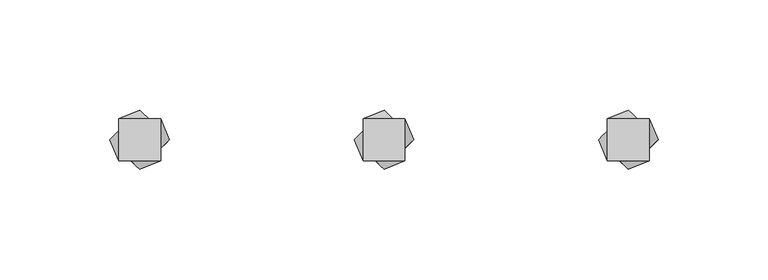
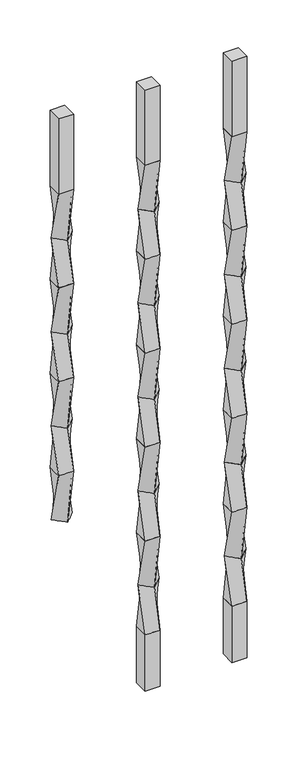
"""IFC4 building model written with IfcOpenShell, lengths in millimetres: proxy geometry."""

from ifc_helpers import new_model, si_unit, frame, origin, place, context, project, spatial, polyline, outline, extrude, source, transform, mapped, element, save
from ifc_brep_helpers import plane_surface, spline_surface, advanced_brep


def specialty_equipment_eb527075(model_context):
    return source(origin(), model_context, "Body", "SolidModel", [
        extrude(outline(polyline([(231.775, 9.525), (231.775, -9.525), (212.725, -9.525), (212.725, 9.525), (231.775, 9.525)])), frame((0.0, 0.0, 812.8), z_axis=(0.0, 0.0, 1.0), x_axis=(1.0, 0.0, 0.0)), (0.0, 0.0, 1.0), 101.6),
        advanced_brep(
        [(212.725, 9.525, 812.8), (212.725, -9.525, 812.8), (231.775, -9.525, 812.8), (231.775, 9.525, 812.8), (222.25, 13.4703842, 749.3), (235.7203842, 0.0, 749.3), (222.25, -13.4703842, 749.3), (208.7796158, 0.0, 749.3)],
        [
            (0, 1),
            (1, 2),
            (2, 3),
            (3, 0),
            (4, 5),
            (5, 6),
            (6, 7),
            (7, 4),
            (4, 0),
            (3, 5),
            (2, 6),
            (1, 7),
        ],
        [
            plane_surface(frame((222.25, 0.0, 812.8), z_axis=(0.0, 0.0, 1.0), x_axis=(0.0, -1.0, 0.0))),
            plane_surface(frame((222.25, 0.0, 749.3), z_axis=(0.0, 0.0, -1.0), x_axis=(0.0, -1.0, 0.0))),
            spline_surface(1, 1, [[(235.7203842, 0.0, 749.3), (231.775, 9.525, 812.8)], [(222.25, 13.4703842, 749.3), (212.725, 9.525, 812.8)]], [2, 2], [2, 2], [0.0, 1.0], [0.0, 1.0]),
            spline_surface(1, 1, [[(222.25, -13.4703842, 749.3), (231.775, -9.525, 812.8)], [(235.7203842, 0.0, 749.3), (231.775, 9.525, 812.8)]], [2, 2], [2, 2], [0.0, 1.0], [0.0, 1.0]),
            spline_surface(1, 1, [[(208.7796158, 0.0, 749.3), (212.725, -9.525, 812.8)], [(222.25, -13.4703842, 749.3), (231.775, -9.525, 812.8)]], [2, 2], [2, 2], [0.0, 1.0], [0.0, 1.0]),
            spline_surface(1, 1, [[(222.25, 13.4703842, 749.3), (212.725, 9.525, 812.8)], [(208.7796158, 0.0, 749.3), (212.725, -9.525, 812.8)]], [2, 2], [2, 2], [0.0, 1.0], [0.0, 1.0]),
        ],
        [
            (0, [[1, 2, 3, 4]]),
            (1, [[5, 6, 7, 8]]),
            (2, [[-5, 9, -4, 10]]),
            (3, [[-6, -10, -3, 11]]),
            (4, [[-7, -11, -2, 12]]),
            (5, [[-8, -12, -1, -9]]),
        ],
    ),
        advanced_brep(
        [(222.25, 13.4703842, 749.3), (208.7796158, 0.0, 749.3), (222.25, -13.4703842, 749.3), (235.7203842, 0.0, 749.3), (212.725, 9.525, 685.8), (231.775, 9.525, 685.8), (231.775, -9.525, 685.8), (212.725, -9.525, 685.8)],
        [
            (0, 1),
            (1, 2),
            (2, 3),
            (3, 0),
            (4, 5),
            (5, 6),
            (6, 7),
            (7, 4),
            (4, 0),
            (3, 5),
            (2, 6),
            (1, 7),
        ],
        [
            plane_surface(frame((222.25, 0.0, 749.3), z_axis=(0.0, 0.0, 1.0000000000000002), x_axis=(0.7071067811865481, -0.707106781186547, 0.0))),
            plane_surface(frame((222.25, 0.0, 685.8), z_axis=(0.0, 0.0, -1.0000000000000002), x_axis=(0.7071067811865481, -0.707106781186547, 0.0))),
            spline_surface(1, 1, [[(231.775, 9.525, 685.8), (235.7203842, 0.0, 749.3)], [(212.725, 9.525, 685.8), (222.25, 13.4703842, 749.3)]], [2, 2], [2, 2], [0.0, 1.0], [0.0, 1.0]),
            spline_surface(1, 1, [[(231.775, -9.525, 685.8), (222.25, -13.4703842, 749.3)], [(231.775, 9.525, 685.8), (235.7203842, 0.0, 749.3)]], [2, 2], [2, 2], [0.0, 1.0], [0.0, 1.0]),
            spline_surface(1, 1, [[(212.725, -9.525, 685.8), (208.7796158, 0.0, 749.3)], [(231.775, -9.525, 685.8), (222.25, -13.4703842, 749.3)]], [2, 2], [2, 2], [0.0, 1.0], [0.0, 1.0]),
            spline_surface(1, 1, [[(212.725, 9.525, 685.8), (222.25, 13.4703842, 749.3)], [(212.725, -9.525, 685.8), (208.7796158, 0.0, 749.3)]], [2, 2], [2, 2], [0.0, 1.0], [0.0, 1.0]),
        ],
        [
            (0, [[1, 2, 3, 4]]),
            (1, [[5, 6, 7, 8]]),
            (2, [[-5, 9, -4, 10]]),
            (3, [[-6, -10, -3, 11]]),
            (4, [[-7, -11, -2, 12]]),
            (5, [[-8, -12, -1, -9]]),
        ],
    ),
        advanced_brep(
        [(212.725, 9.525, 685.8), (212.725, -9.525, 685.8), (231.775, -9.525, 685.8), (231.775, 9.525, 685.8), (222.25, 13.4703842, 622.3), (235.7203842, 0.0, 622.3), (222.25, -13.4703842, 622.3), (208.7796158, 0.0, 622.3)],
        [
            (0, 1),
            (1, 2),
            (2, 3),
            (3, 0),
            (4, 5),
            (5, 6),
            (6, 7),
            (7, 4),
            (4, 0),
            (3, 5),
            (2, 6),
            (1, 7),
        ],
        [
            plane_surface(frame((222.25, 0.0, 685.8), z_axis=(0.0, 0.0, 1.0), x_axis=(0.0, -1.0, 0.0))),
            plane_surface(frame((222.25, 0.0, 622.3), z_axis=(0.0, 0.0, -1.0), x_axis=(0.0, -1.0, 0.0))),
            spline_surface(1, 1, [[(235.7203842, 0.0, 622.3), (231.775, 9.525, 685.8)], [(222.25, 13.4703842, 622.3), (212.725, 9.525, 685.8)]], [2, 2], [2, 2], [0.0, 1.0], [0.0, 1.0]),
            spline_surface(1, 1, [[(222.25, -13.4703842, 622.3), (231.775, -9.525, 685.8)], [(235.7203842, 0.0, 622.3), (231.775, 9.525, 685.8)]], [2, 2], [2, 2], [0.0, 1.0], [0.0, 1.0]),
            spline_surface(1, 1, [[(208.7796158, 0.0, 622.3), (212.725, -9.525, 685.8)], [(222.25, -13.4703842, 622.3), (231.775, -9.525, 685.8)]], [2, 2], [2, 2], [0.0, 1.0], [0.0, 1.0]),
            spline_surface(1, 1, [[(222.25, 13.4703842, 622.3), (212.725, 9.525, 685.8)], [(208.7796158, 0.0, 622.3), (212.725, -9.525, 685.8)]], [2, 2], [2, 2], [0.0, 1.0], [0.0, 1.0]),
        ],
        [
            (0, [[1, 2, 3, 4]]),
            (1, [[5, 6, 7, 8]]),
            (2, [[-5, 9, -4, 10]]),
            (3, [[-6, -10, -3, 11]]),
            (4, [[-7, -11, -2, 12]]),
            (5, [[-8, -12, -1, -9]]),
        ],
    ),
        advanced_brep(
        [(222.25, 13.4703842, 622.3), (208.7796158, 0.0, 622.3), (222.25, -13.4703842, 622.3), (235.7203842, 0.0, 622.3), (212.725, 9.525, 558.8), (231.775, 9.525, 558.8), (231.775, -9.525, 558.8), (212.725, -9.525, 558.8)],
        [
            (0, 1),
            (1, 2),
            (2, 3),
            (3, 0),
            (4, 5),
            (5, 6),
            (6, 7),
            (7, 4),
            (4, 0),
            (3, 5),
            (2, 6),
            (1, 7),
        ],
        [
            plane_surface(frame((222.25, 0.0, 622.3), z_axis=(0.0, 0.0, 1.0000000000000002), x_axis=(0.7071067811865481, -0.707106781186547, 0.0))),
            plane_surface(frame((222.25, 0.0, 558.8), z_axis=(0.0, 0.0, -1.0000000000000002), x_axis=(0.7071067811865481, -0.707106781186547, 0.0))),
            spline_surface(1, 1, [[(231.775, 9.525, 558.8), (235.7203842, 0.0, 622.3)], [(212.725, 9.525, 558.8), (222.25, 13.4703842, 622.3)]], [2, 2], [2, 2], [0.0, 1.0], [0.0, 1.0]),
            spline_surface(1, 1, [[(231.775, -9.525, 558.8), (222.25, -13.4703842, 622.3)], [(231.775, 9.525, 558.8), (235.7203842, 0.0, 622.3)]], [2, 2], [2, 2], [0.0, 1.0], [0.0, 1.0]),
            spline_surface(1, 1, [[(212.725, -9.525, 558.8), (208.7796158, 0.0, 622.3)], [(231.775, -9.525, 558.8), (222.25, -13.4703842, 622.3)]], [2, 2], [2, 2], [0.0, 1.0], [0.0, 1.0]),
            spline_surface(1, 1, [[(212.725, 9.525, 558.8), (222.25, 13.4703842, 622.3)], [(212.725, -9.525, 558.8), (208.7796158, 0.0, 622.3)]], [2, 2], [2, 2], [0.0, 1.0], [0.0, 1.0]),
        ],
        [
            (0, [[1, 2, 3, 4]]),
            (1, [[5, 6, 7, 8]]),
            (2, [[-5, 9, -4, 10]]),
            (3, [[-6, -10, -3, 11]]),
            (4, [[-7, -11, -2, 12]]),
            (5, [[-8, -12, -1, -9]]),
        ],
    ),
        advanced_brep(
        [(212.725, 9.525, 558.8), (212.725, -9.525, 558.8), (231.775, -9.525, 558.8), (231.775, 9.525, 558.8), (222.25, 13.4703842, 495.3), (235.7203842, 0.0, 495.3), (222.25, -13.4703842, 495.3), (208.7796158, 0.0, 495.3)],
        [
            (0, 1),
            (1, 2),
            (2, 3),
            (3, 0),
            (4, 5),
            (5, 6),
            (6, 7),
            (7, 4),
            (4, 0),
            (3, 5),
            (2, 6),
            (1, 7),
        ],
        [
            plane_surface(frame((222.25, 0.0, 558.8), z_axis=(0.0, 0.0, 1.0), x_axis=(0.0, -1.0, 0.0))),
            plane_surface(frame((222.25, 0.0, 495.3), z_axis=(0.0, 0.0, -1.0), x_axis=(0.0, -1.0, 0.0))),
            spline_surface(1, 1, [[(235.7203842, 0.0, 495.3), (231.775, 9.525, 558.8)], [(222.25, 13.4703842, 495.3), (212.725, 9.525, 558.8)]], [2, 2], [2, 2], [0.0, 1.0], [0.0, 1.0]),
            spline_surface(1, 1, [[(222.25, -13.4703842, 495.3), (231.775, -9.525, 558.8)], [(235.7203842, 0.0, 495.3), (231.775, 9.525, 558.8)]], [2, 2], [2, 2], [0.0, 1.0], [0.0, 1.0]),
            spline_surface(1, 1, [[(208.7796158, 0.0, 495.3), (212.725, -9.525, 558.8)], [(222.25, -13.4703842, 495.3), (231.775, -9.525, 558.8)]], [2, 2], [2, 2], [0.0, 1.0], [0.0, 1.0]),
            spline_surface(1, 1, [[(222.25, 13.4703842, 495.3), (212.725, 9.525, 558.8)], [(208.7796158, 0.0, 495.3), (212.725, -9.525, 558.8)]], [2, 2], [2, 2], [0.0, 1.0], [0.0, 1.0]),
        ],
        [
            (0, [[1, 2, 3, 4]]),
            (1, [[5, 6, 7, 8]]),
            (2, [[-5, 9, -4, 10]]),
            (3, [[-6, -10, -3, 11]]),
            (4, [[-7, -11, -2, 12]]),
            (5, [[-8, -12, -1, -9]]),
        ],
    ),
        advanced_brep(
        [(222.25, 13.4703842, 495.3), (208.7796158, 0.0, 495.3), (222.25, -13.4703842, 495.3), (235.7203842, 0.0, 495.3), (212.725, 9.525, 431.8), (231.775, 9.525, 431.8), (231.775, -9.525, 431.8), (212.725, -9.525, 431.8)],
        [
            (0, 1),
            (1, 2),
            (2, 3),
            (3, 0),
            (4, 5),
            (5, 6),
            (6, 7),
            (7, 4),
            (4, 0),
            (3, 5),
            (2, 6),
            (1, 7),
        ],
        [
            plane_surface(frame((222.25, 0.0, 495.3), z_axis=(0.0, 0.0, 1.0000000000000002), x_axis=(0.7071067811865481, -0.707106781186547, 0.0))),
            plane_surface(frame((222.25, 0.0, 431.8), z_axis=(0.0, 0.0, -1.0000000000000002), x_axis=(0.7071067811865481, -0.707106781186547, 0.0))),
            spline_surface(1, 1, [[(231.775, 9.525, 431.8), (235.7203842, 0.0, 495.3)], [(212.725, 9.525, 431.8), (222.25, 13.4703842, 495.3)]], [2, 2], [2, 2], [0.0, 1.0], [0.0, 1.0]),
            spline_surface(1, 1, [[(231.775, -9.525, 431.8), (222.25, -13.4703842, 495.3)], [(231.775, 9.525, 431.8), (235.7203842, 0.0, 495.3)]], [2, 2], [2, 2], [0.0, 1.0], [0.0, 1.0]),
            spline_surface(1, 1, [[(212.725, -9.525, 431.8), (208.7796158, 0.0, 495.3)], [(231.775, -9.525, 431.8), (222.25, -13.4703842, 495.3)]], [2, 2], [2, 2], [0.0, 1.0], [0.0, 1.0]),
            spline_surface(1, 1, [[(212.725, 9.525, 431.8), (222.25, 13.4703842, 495.3)], [(212.725, -9.525, 431.8), (208.7796158, 0.0, 495.3)]], [2, 2], [2, 2], [0.0, 1.0], [0.0, 1.0]),
        ],
        [
            (0, [[1, 2, 3, 4]]),
            (1, [[5, 6, 7, 8]]),
            (2, [[-5, 9, -4, 10]]),
            (3, [[-6, -10, -3, 11]]),
            (4, [[-7, -11, -2, 12]]),
            (5, [[-8, -12, -1, -9]]),
        ],
    ),
        advanced_brep(
        [(212.725, 9.525, 431.8), (212.725, -9.525, 431.8), (231.775, -9.525, 431.8), (231.775, 9.525, 431.8), (222.25, 13.4703842, 368.3), (235.7203842, 0.0, 368.3), (222.25, -13.4703842, 368.3), (208.7796158, 0.0, 368.3)],
        [
            (0, 1),
            (1, 2),
            (2, 3),
            (3, 0),
            (4, 5),
            (5, 6),
            (6, 7),
            (7, 4),
            (4, 0),
            (3, 5),
            (2, 6),
            (1, 7),
        ],
        [
            plane_surface(frame((222.25, 0.0, 431.8), z_axis=(0.0, 0.0, 1.0), x_axis=(0.0, -1.0, 0.0))),
            plane_surface(frame((222.25, 0.0, 368.3), z_axis=(0.0, 0.0, -1.0), x_axis=(0.0, -1.0, 0.0))),
            spline_surface(1, 1, [[(235.7203842, 0.0, 368.3), (231.775, 9.525, 431.8)], [(222.25, 13.4703842, 368.3), (212.725, 9.525, 431.8)]], [2, 2], [2, 2], [0.0, 1.0], [0.0, 1.0]),
            spline_surface(1, 1, [[(222.25, -13.4703842, 368.3), (231.775, -9.525, 431.8)], [(235.7203842, 0.0, 368.3), (231.775, 9.525, 431.8)]], [2, 2], [2, 2], [0.0, 1.0], [0.0, 1.0]),
            spline_surface(1, 1, [[(208.7796158, 0.0, 368.3), (212.725, -9.525, 431.8)], [(222.25, -13.4703842, 368.3), (231.775, -9.525, 431.8)]], [2, 2], [2, 2], [0.0, 1.0], [0.0, 1.0]),
            spline_surface(1, 1, [[(222.25, 13.4703842, 368.3), (212.725, 9.525, 431.8)], [(208.7796158, 0.0, 368.3), (212.725, -9.525, 431.8)]], [2, 2], [2, 2], [0.0, 1.0], [0.0, 1.0]),
        ],
        [
            (0, [[1, 2, 3, 4]]),
            (1, [[5, 6, 7, 8]]),
            (2, [[-5, 9, -4, 10]]),
            (3, [[-6, -10, -3, 11]]),
            (4, [[-7, -11, -2, 12]]),
            (5, [[-8, -12, -1, -9]]),
        ],
    ),
        advanced_brep(
        [(222.25, 13.4703842, 368.3), (208.7796158, 0.0, 368.3), (222.25, -13.4703842, 368.3), (235.7203842, 0.0, 368.3), (212.725, 9.525, 304.8), (231.775, 9.525, 304.8), (231.775, -9.525, 304.8), (212.725, -9.525, 304.8)],
        [
            (0, 1),
            (1, 2),
            (2, 3),
            (3, 0),
            (4, 5),
            (5, 6),
            (6, 7),
            (7, 4),
            (4, 0),
            (3, 5),
            (2, 6),
            (1, 7),
        ],
        [
            plane_surface(frame((222.25, 0.0, 368.3), z_axis=(0.0, 0.0, 1.0000000000000002), x_axis=(0.7071067811865481, -0.707106781186547, 0.0))),
            plane_surface(frame((222.25, 0.0, 304.8), z_axis=(0.0, 0.0, -1.0000000000000002), x_axis=(0.7071067811865481, -0.707106781186547, 0.0))),
            spline_surface(1, 1, [[(231.775, 9.525, 304.8), (235.7203842, 0.0, 368.3)], [(212.725, 9.525, 304.8), (222.25, 13.4703842, 368.3)]], [2, 2], [2, 2], [0.0, 1.0], [0.0, 1.0]),
            spline_surface(1, 1, [[(231.775, -9.525, 304.8), (222.25, -13.4703842, 368.3)], [(231.775, 9.525, 304.8), (235.7203842, 0.0, 368.3)]], [2, 2], [2, 2], [0.0, 1.0], [0.0, 1.0]),
            spline_surface(1, 1, [[(212.725, -9.525, 304.8), (208.7796158, 0.0, 368.3)], [(231.775, -9.525, 304.8), (222.25, -13.4703842, 368.3)]], [2, 2], [2, 2], [0.0, 1.0], [0.0, 1.0]),
            spline_surface(1, 1, [[(212.725, 9.525, 304.8), (222.25, 13.4703842, 368.3)], [(212.725, -9.525, 304.8), (208.7796158, 0.0, 368.3)]], [2, 2], [2, 2], [0.0, 1.0], [0.0, 1.0]),
        ],
        [
            (0, [[1, 2, 3, 4]]),
            (1, [[5, 6, 7, 8]]),
            (2, [[-5, 9, -4, 10]]),
            (3, [[-6, -10, -3, 11]]),
            (4, [[-7, -11, -2, 12]]),
            (5, [[-8, -12, -1, -9]]),
        ],
    ),
        advanced_brep(
        [(212.725, 9.525, 304.8), (212.725, -9.525, 304.8), (231.775, -9.525, 304.8), (231.775, 9.525, 304.8), (222.25, 13.4703842, 241.3), (235.7203842, 0.0, 241.3), (222.25, -13.4703842, 241.3), (208.7796158, 0.0, 241.3)],
        [
            (0, 1),
            (1, 2),
            (2, 3),
            (3, 0),
            (4, 5),
            (5, 6),
            (6, 7),
            (7, 4),
            (4, 0),
            (3, 5),
            (2, 6),
            (1, 7),
        ],
        [
            plane_surface(frame((222.25, 0.0, 304.8), z_axis=(0.0, 0.0, 1.0), x_axis=(0.0, -1.0, 0.0))),
            plane_surface(frame((222.25, 0.0, 241.3), z_axis=(0.0, 0.0, -1.0), x_axis=(0.0, -1.0, 0.0))),
            spline_surface(1, 1, [[(235.7203842, 0.0, 241.3), (231.775, 9.525, 304.8)], [(222.25, 13.4703842, 241.3), (212.725, 9.525, 304.8)]], [2, 2], [2, 2], [0.0, 1.0], [0.0, 1.0]),
            spline_surface(1, 1, [[(222.25, -13.4703842, 241.3), (231.775, -9.525, 304.8)], [(235.7203842, 0.0, 241.3), (231.775, 9.525, 304.8)]], [2, 2], [2, 2], [0.0, 1.0], [0.0, 1.0]),
            spline_surface(1, 1, [[(208.7796158, 0.0, 241.3), (212.725, -9.525, 304.8)], [(222.25, -13.4703842, 241.3), (231.775, -9.525, 304.8)]], [2, 2], [2, 2], [0.0, 1.0], [0.0, 1.0]),
            spline_surface(1, 1, [[(222.25, 13.4703842, 241.3), (212.725, 9.525, 304.8)], [(208.7796158, 0.0, 241.3), (212.725, -9.525, 304.8)]], [2, 2], [2, 2], [0.0, 1.0], [0.0, 1.0]),
        ],
        [
            (0, [[1, 2, 3, 4]]),
            (1, [[5, 6, 7, 8]]),
            (2, [[-5, 9, -4, 10]]),
            (3, [[-6, -10, -3, 11]]),
            (4, [[-7, -11, -2, 12]]),
            (5, [[-8, -12, -1, -9]]),
        ],
    ),
        advanced_brep(
        [(222.25, 13.4703842, 241.3), (208.7796158, 0.0, 241.3), (222.25, -13.4703842, 241.3), (235.7203842, 0.0, 241.3), (212.725, 9.525, 177.8), (231.775, 9.525, 177.8), (231.775, -9.525, 177.8), (212.725, -9.525, 177.8)],
        [
            (0, 1),
            (1, 2),
            (2, 3),
            (3, 0),
            (4, 5),
            (5, 6),
            (6, 7),
            (7, 4),
            (4, 0),
            (3, 5),
            (2, 6),
            (1, 7),
        ],
        [
            plane_surface(frame((222.25, 0.0, 241.3), z_axis=(0.0, 0.0, 1.0000000000000002), x_axis=(0.7071067811865481, -0.707106781186547, 0.0))),
            plane_surface(frame((222.25, 0.0, 177.8), z_axis=(0.0, 0.0, -1.0000000000000002), x_axis=(0.7071067811865481, -0.707106781186547, 0.0))),
            spline_surface(1, 1, [[(231.775, 9.525, 177.8), (235.7203842, 0.0, 241.3)], [(212.725, 9.525, 177.8), (222.25, 13.4703842, 241.3)]], [2, 2], [2, 2], [0.0, 1.0], [0.0, 1.0]),
            spline_surface(1, 1, [[(231.775, -9.525, 177.8), (222.25, -13.4703842, 241.3)], [(231.775, 9.525, 177.8), (235.7203842, 0.0, 241.3)]], [2, 2], [2, 2], [0.0, 1.0], [0.0, 1.0]),
            spline_surface(1, 1, [[(212.725, -9.525, 177.8), (208.7796158, 0.0, 241.3)], [(231.775, -9.525, 177.8), (222.25, -13.4703842, 241.3)]], [2, 2], [2, 2], [0.0, 1.0], [0.0, 1.0]),
            spline_surface(1, 1, [[(212.725, 9.525, 177.8), (222.25, 13.4703842, 241.3)], [(212.725, -9.525, 177.8), (208.7796158, 0.0, 241.3)]], [2, 2], [2, 2], [0.0, 1.0], [0.0, 1.0]),
        ],
        [
            (0, [[1, 2, 3, 4]]),
            (1, [[5, 6, 7, 8]]),
            (2, [[-5, 9, -4, 10]]),
            (3, [[-6, -10, -3, 11]]),
            (4, [[-7, -11, -2, 12]]),
            (5, [[-8, -12, -1, -9]]),
        ],
    ),
        extrude(outline(polyline([(231.775, 9.525), (231.775, -9.525), (212.725, -9.525), (212.725, 9.525), (231.775, 9.525)])), frame((0.0, 0.0, 101.6), z_axis=(0.0, 0.0, 1.0), x_axis=(1.0, 0.0, 0.0)), (0.0, 0.0, 1.0), 76.2),
        extrude(outline(polyline([(120.65, 9.525), (120.65, -9.525), (101.6, -9.525), (101.6, 9.525), (120.65, 9.525)])), frame((0.0, 0.0, 812.8), z_axis=(0.0, 0.0, 1.0), x_axis=(1.0, 0.0, 0.0)), (0.0, 0.0, 1.0), 101.6),
        advanced_brep(
        [(101.6, 9.525, 812.8), (101.6, -9.525, 812.8), (120.65, -9.525, 812.8), (120.65, 9.525, 812.8), (111.125, 13.4703842, 749.3), (124.5953842, 0.0, 749.3), (111.125, -13.4703842, 749.3), (97.6546158, 0.0, 749.3)],
        [
            (0, 1),
            (1, 2),
            (2, 3),
            (3, 0),
            (4, 5),
            (5, 6),
            (6, 7),
            (7, 4),
            (4, 0),
            (3, 5),
            (2, 6),
            (1, 7),
        ],
        [
            plane_surface(frame((111.125, 0.0, 812.8), z_axis=(0.0, 0.0, 1.0), x_axis=(0.0, -1.0, 0.0))),
            plane_surface(frame((111.125, 0.0, 749.3), z_axis=(0.0, 0.0, -1.0), x_axis=(0.0, -1.0, 0.0))),
            spline_surface(1, 1, [[(124.5953842, 0.0, 749.3), (120.65, 9.525, 812.8)], [(111.125, 13.4703842, 749.3), (101.6, 9.525, 812.8)]], [2, 2], [2, 2], [0.0, 1.0], [0.0, 1.0]),
            spline_surface(1, 1, [[(111.125, -13.4703842, 749.3), (120.65, -9.525, 812.8)], [(124.5953842, 0.0, 749.3), (120.65, 9.525, 812.8)]], [2, 2], [2, 2], [0.0, 1.0], [0.0, 1.0]),
            spline_surface(1, 1, [[(97.6546158, 0.0, 749.3), (101.6, -9.525, 812.8)], [(111.125, -13.4703842, 749.3), (120.65, -9.525, 812.8)]], [2, 2], [2, 2], [0.0, 1.0], [0.0, 1.0]),
            spline_surface(1, 1, [[(111.125, 13.4703842, 749.3), (101.6, 9.525, 812.8)], [(97.6546158, 0.0, 749.3), (101.6, -9.525, 812.8)]], [2, 2], [2, 2], [0.0, 1.0], [0.0, 1.0]),
        ],
        [
            (0, [[1, 2, 3, 4]]),
            (1, [[5, 6, 7, 8]]),
            (2, [[-5, 9, -4, 10]]),
            (3, [[-6, -10, -3, 11]]),
            (4, [[-7, -11, -2, 12]]),
            (5, [[-8, -12, -1, -9]]),
        ],
    ),
        advanced_brep(
        [(111.125, 13.4703842, 749.3), (97.6546158, 0.0, 749.3), (111.125, -13.4703842, 749.3), (124.5953842, 0.0, 749.3), (101.6, 9.525, 685.8), (120.65, 9.525, 685.8), (120.65, -9.525, 685.8), (101.6, -9.525, 685.8)],
        [
            (0, 1),
            (1, 2),
            (2, 3),
            (3, 0),
            (4, 5),
            (5, 6),
            (6, 7),
            (7, 4),
            (4, 0),
            (3, 5),
            (2, 6),
            (1, 7),
        ],
        [
            plane_surface(frame((111.125, 0.0, 749.3), z_axis=(0.0, 0.0, 1.0000000000000002), x_axis=(0.7071067811865481, -0.707106781186547, 0.0))),
            plane_surface(frame((111.125, 0.0, 685.8), z_axis=(0.0, 0.0, -1.0000000000000002), x_axis=(0.7071067811865481, -0.707106781186547, 0.0))),
            spline_surface(1, 1, [[(120.65, 9.525, 685.8), (124.5953842, 0.0, 749.3)], [(101.6, 9.525, 685.8), (111.125, 13.4703842, 749.3)]], [2, 2], [2, 2], [0.0, 1.0], [0.0, 1.0]),
            spline_surface(1, 1, [[(120.65, -9.525, 685.8), (111.125, -13.4703842, 749.3)], [(120.65, 9.525, 685.8), (124.5953842, 0.0, 749.3)]], [2, 2], [2, 2], [0.0, 1.0], [0.0, 1.0]),
            spline_surface(1, 1, [[(101.6, -9.525, 685.8), (97.6546158, 0.0, 749.3)], [(120.65, -9.525, 685.8), (111.125, -13.4703842, 749.3)]], [2, 2], [2, 2], [0.0, 1.0], [0.0, 1.0]),
            spline_surface(1, 1, [[(101.6, 9.525, 685.8), (111.125, 13.4703842, 749.3)], [(101.6, -9.525, 685.8), (97.6546158, 0.0, 749.3)]], [2, 2], [2, 2], [0.0, 1.0], [0.0, 1.0]),
        ],
        [
            (0, [[1, 2, 3, 4]]),
            (1, [[5, 6, 7, 8]]),
            (2, [[-5, 9, -4, 10]]),
            (3, [[-6, -10, -3, 11]]),
            (4, [[-7, -11, -2, 12]]),
            (5, [[-8, -12, -1, -9]]),
        ],
    ),
        advanced_brep(
        [(101.6, 9.525, 685.8), (101.6, -9.525, 685.8), (120.65, -9.525, 685.8), (120.65, 9.525, 685.8), (111.125, 13.4703842, 622.3), (124.5953842, 0.0, 622.3), (111.125, -13.4703842, 622.3), (97.6546158, 0.0, 622.3)],
        [
            (0, 1),
            (1, 2),
            (2, 3),
            (3, 0),
            (4, 5),
            (5, 6),
            (6, 7),
            (7, 4),
            (4, 0),
            (3, 5),
            (2, 6),
            (1, 7),
        ],
        [
            plane_surface(frame((111.125, 0.0, 685.8), z_axis=(0.0, 0.0, 1.0), x_axis=(0.0, -1.0, 0.0))),
            plane_surface(frame((111.125, 0.0, 622.3), z_axis=(0.0, 0.0, -1.0), x_axis=(0.0, -1.0, 0.0))),
            spline_surface(1, 1, [[(124.5953842, 0.0, 622.3), (120.65, 9.525, 685.8)], [(111.125, 13.4703842, 622.3), (101.6, 9.525, 685.8)]], [2, 2], [2, 2], [0.0, 1.0], [0.0, 1.0]),
            spline_surface(1, 1, [[(111.125, -13.4703842, 622.3), (120.65, -9.525, 685.8)], [(124.5953842, 0.0, 622.3), (120.65, 9.525, 685.8)]], [2, 2], [2, 2], [0.0, 1.0], [0.0, 1.0]),
            spline_surface(1, 1, [[(97.6546158, 0.0, 622.3), (101.6, -9.525, 685.8)], [(111.125, -13.4703842, 622.3), (120.65, -9.525, 685.8)]], [2, 2], [2, 2], [0.0, 1.0], [0.0, 1.0]),
            spline_surface(1, 1, [[(111.125, 13.4703842, 622.3), (101.6, 9.525, 685.8)], [(97.6546158, 0.0, 622.3), (101.6, -9.525, 685.8)]], [2, 2], [2, 2], [0.0, 1.0], [0.0, 1.0]),
        ],
        [
            (0, [[1, 2, 3, 4]]),
            (1, [[5, 6, 7, 8]]),
            (2, [[-5, 9, -4, 10]]),
            (3, [[-6, -10, -3, 11]]),
            (4, [[-7, -11, -2, 12]]),
            (5, [[-8, -12, -1, -9]]),
        ],
    ),
        advanced_brep(
        [(111.125, 13.4703842, 622.3), (97.6546158, 0.0, 622.3), (111.125, -13.4703842, 622.3), (124.5953842, 0.0, 622.3), (101.6, 9.525, 558.8), (120.65, 9.525, 558.8), (120.65, -9.525, 558.8), (101.6, -9.525, 558.8)],
        [
            (0, 1),
            (1, 2),
            (2, 3),
            (3, 0),
            (4, 5),
            (5, 6),
            (6, 7),
            (7, 4),
            (4, 0),
            (3, 5),
            (2, 6),
            (1, 7),
        ],
        [
            plane_surface(frame((111.125, 0.0, 622.3), z_axis=(0.0, 0.0, 1.0000000000000002), x_axis=(0.7071067811865481, -0.707106781186547, 0.0))),
            plane_surface(frame((111.125, 0.0, 558.8), z_axis=(0.0, 0.0, -1.0000000000000002), x_axis=(0.7071067811865481, -0.707106781186547, 0.0))),
            spline_surface(1, 1, [[(120.65, 9.525, 558.8), (124.5953842, 0.0, 622.3)], [(101.6, 9.525, 558.8), (111.125, 13.4703842, 622.3)]], [2, 2], [2, 2], [0.0, 1.0], [0.0, 1.0]),
            spline_surface(1, 1, [[(120.65, -9.525, 558.8), (111.125, -13.4703842, 622.3)], [(120.65, 9.525, 558.8), (124.5953842, 0.0, 622.3)]], [2, 2], [2, 2], [0.0, 1.0], [0.0, 1.0]),
            spline_surface(1, 1, [[(101.6, -9.525, 558.8), (97.6546158, 0.0, 622.3)], [(120.65, -9.525, 558.8), (111.125, -13.4703842, 622.3)]], [2, 2], [2, 2], [0.0, 1.0], [0.0, 1.0]),
            spline_surface(1, 1, [[(101.6, 9.525, 558.8), (111.125, 13.4703842, 622.3)], [(101.6, -9.525, 558.8), (97.6546158, 0.0, 622.3)]], [2, 2], [2, 2], [0.0, 1.0], [0.0, 1.0]),
        ],
        [
            (0, [[1, 2, 3, 4]]),
            (1, [[5, 6, 7, 8]]),
            (2, [[-5, 9, -4, 10]]),
            (3, [[-6, -10, -3, 11]]),
            (4, [[-7, -11, -2, 12]]),
            (5, [[-8, -12, -1, -9]]),
        ],
    ),
        advanced_brep(
        [(101.6, 9.525, 558.8), (101.6, -9.525, 558.8), (120.65, -9.525, 558.8), (120.65, 9.525, 558.8), (111.125, 13.4703842, 495.3), (124.5953842, 0.0, 495.3), (111.125, -13.4703842, 495.3), (97.6546158, 0.0, 495.3)],
        [
            (0, 1),
            (1, 2),
            (2, 3),
            (3, 0),
            (4, 5),
            (5, 6),
            (6, 7),
            (7, 4),
            (4, 0),
            (3, 5),
            (2, 6),
            (1, 7),
        ],
        [
            plane_surface(frame((111.125, 0.0, 558.8), z_axis=(0.0, 0.0, 1.0), x_axis=(0.0, -1.0, 0.0))),
            plane_surface(frame((111.125, 0.0, 495.3), z_axis=(0.0, 0.0, -1.0), x_axis=(0.0, -1.0, 0.0))),
            spline_surface(1, 1, [[(124.5953842, 0.0, 495.3), (120.65, 9.525, 558.8)], [(111.125, 13.4703842, 495.3), (101.6, 9.525, 558.8)]], [2, 2], [2, 2], [0.0, 1.0], [0.0, 1.0]),
            spline_surface(1, 1, [[(111.125, -13.4703842, 495.3), (120.65, -9.525, 558.8)], [(124.5953842, 0.0, 495.3), (120.65, 9.525, 558.8)]], [2, 2], [2, 2], [0.0, 1.0], [0.0, 1.0]),
            spline_surface(1, 1, [[(97.6546158, 0.0, 495.3), (101.6, -9.525, 558.8)], [(111.125, -13.4703842, 495.3), (120.65, -9.525, 558.8)]], [2, 2], [2, 2], [0.0, 1.0], [0.0, 1.0]),
            spline_surface(1, 1, [[(111.125, 13.4703842, 495.3), (101.6, 9.525, 558.8)], [(97.6546158, 0.0, 495.3), (101.6, -9.525, 558.8)]], [2, 2], [2, 2], [0.0, 1.0], [0.0, 1.0]),
        ],
        [
            (0, [[1, 2, 3, 4]]),
            (1, [[5, 6, 7, 8]]),
            (2, [[-5, 9, -4, 10]]),
            (3, [[-6, -10, -3, 11]]),
            (4, [[-7, -11, -2, 12]]),
            (5, [[-8, -12, -1, -9]]),
        ],
    ),
        advanced_brep(
        [(111.125, 13.4703842, 495.3), (97.6546158, 0.0, 495.3), (111.125, -13.4703842, 495.3), (124.5953842, 0.0, 495.3), (101.6, 9.525, 431.8), (120.65, 9.525, 431.8), (120.65, -9.525, 431.8), (101.6, -9.525, 431.8)],
        [
            (0, 1),
            (1, 2),
            (2, 3),
            (3, 0),
            (4, 5),
            (5, 6),
            (6, 7),
            (7, 4),
            (4, 0),
            (3, 5),
            (2, 6),
            (1, 7),
        ],
        [
            plane_surface(frame((111.125, 0.0, 495.3), z_axis=(0.0, 0.0, 1.0000000000000002), x_axis=(0.7071067811865481, -0.707106781186547, 0.0))),
            plane_surface(frame((111.125, 0.0, 431.8), z_axis=(0.0, 0.0, -1.0000000000000002), x_axis=(0.7071067811865481, -0.707106781186547, 0.0))),
            spline_surface(1, 1, [[(120.65, 9.525, 431.8), (124.5953842, 0.0, 495.3)], [(101.6, 9.525, 431.8), (111.125, 13.4703842, 495.3)]], [2, 2], [2, 2], [0.0, 1.0], [0.0, 1.0]),
            spline_surface(1, 1, [[(120.65, -9.525, 431.8), (111.125, -13.4703842, 495.3)], [(120.65, 9.525, 431.8), (124.5953842, 0.0, 495.3)]], [2, 2], [2, 2], [0.0, 1.0], [0.0, 1.0]),
            spline_surface(1, 1, [[(101.6, -9.525, 431.8), (97.6546158, 0.0, 495.3)], [(120.65, -9.525, 431.8), (111.125, -13.4703842, 495.3)]], [2, 2], [2, 2], [0.0, 1.0], [0.0, 1.0]),
            spline_surface(1, 1, [[(101.6, 9.525, 431.8), (111.125, 13.4703842, 495.3)], [(101.6, -9.525, 431.8), (97.6546158, 0.0, 495.3)]], [2, 2], [2, 2], [0.0, 1.0], [0.0, 1.0]),
        ],
        [
            (0, [[1, 2, 3, 4]]),
            (1, [[5, 6, 7, 8]]),
            (2, [[-5, 9, -4, 10]]),
            (3, [[-6, -10, -3, 11]]),
            (4, [[-7, -11, -2, 12]]),
            (5, [[-8, -12, -1, -9]]),
        ],
    ),
        advanced_brep(
        [(101.6, 9.525, 431.8), (101.6, -9.525, 431.8), (120.65, -9.525, 431.8), (120.65, 9.525, 431.8), (111.125, 13.4703842, 368.3), (124.5953842, 0.0, 368.3), (111.125, -13.4703842, 368.3), (97.6546158, 0.0, 368.3)],
        [
            (0, 1),
            (1, 2),
            (2, 3),
            (3, 0),
            (4, 5),
            (5, 6),
            (6, 7),
            (7, 4),
            (4, 0),
            (3, 5),
            (2, 6),
            (1, 7),
        ],
        [
            plane_surface(frame((111.125, 0.0, 431.8), z_axis=(0.0, 0.0, 1.0), x_axis=(0.0, -1.0, 0.0))),
            plane_surface(frame((111.125, 0.0, 368.3), z_axis=(0.0, 0.0, -1.0), x_axis=(0.0, -1.0, 0.0))),
            spline_surface(1, 1, [[(124.5953842, 0.0, 368.3), (120.65, 9.525, 431.8)], [(111.125, 13.4703842, 368.3), (101.6, 9.525, 431.8)]], [2, 2], [2, 2], [0.0, 1.0], [0.0, 1.0]),
            spline_surface(1, 1, [[(111.125, -13.4703842, 368.3), (120.65, -9.525, 431.8)], [(124.5953842, 0.0, 368.3), (120.65, 9.525, 431.8)]], [2, 2], [2, 2], [0.0, 1.0], [0.0, 1.0]),
            spline_surface(1, 1, [[(97.6546158, 0.0, 368.3), (101.6, -9.525, 431.8)], [(111.125, -13.4703842, 368.3), (120.65, -9.525, 431.8)]], [2, 2], [2, 2], [0.0, 1.0], [0.0, 1.0]),
            spline_surface(1, 1, [[(111.125, 13.4703842, 368.3), (101.6, 9.525, 431.8)], [(97.6546158, 0.0, 368.3), (101.6, -9.525, 431.8)]], [2, 2], [2, 2], [0.0, 1.0], [0.0, 1.0]),
        ],
        [
            (0, [[1, 2, 3, 4]]),
            (1, [[5, 6, 7, 8]]),
            (2, [[-5, 9, -4, 10]]),
            (3, [[-6, -10, -3, 11]]),
            (4, [[-7, -11, -2, 12]]),
            (5, [[-8, -12, -1, -9]]),
        ],
    ),
        advanced_brep(
        [(111.125, 13.4703842, 368.3), (97.6546158, 0.0, 368.3), (111.125, -13.4703842, 368.3), (124.5953842, 0.0, 368.3), (101.6, 9.525, 304.8), (120.65, 9.525, 304.8), (120.65, -9.525, 304.8), (101.6, -9.525, 304.8)],
        [
            (0, 1),
            (1, 2),
            (2, 3),
            (3, 0),
            (4, 5),
            (5, 6),
            (6, 7),
            (7, 4),
            (4, 0),
            (3, 5),
            (2, 6),
            (1, 7),
        ],
        [
            plane_surface(frame((111.125, 0.0, 368.3), z_axis=(0.0, 0.0, 1.0000000000000002), x_axis=(0.7071067811865481, -0.707106781186547, 0.0))),
            plane_surface(frame((111.125, 0.0, 304.8), z_axis=(0.0, 0.0, -1.0000000000000002), x_axis=(0.7071067811865481, -0.707106781186547, 0.0))),
            spline_surface(1, 1, [[(120.65, 9.525, 304.8), (124.5953842, 0.0, 368.3)], [(101.6, 9.525, 304.8), (111.125, 13.4703842, 368.3)]], [2, 2], [2, 2], [0.0, 1.0], [0.0, 1.0]),
            spline_surface(1, 1, [[(120.65, -9.525, 304.8), (111.125, -13.4703842, 368.3)], [(120.65, 9.525, 304.8), (124.5953842, 0.0, 368.3)]], [2, 2], [2, 2], [0.0, 1.0], [0.0, 1.0]),
            spline_surface(1, 1, [[(101.6, -9.525, 304.8), (97.6546158, 0.0, 368.3)], [(120.65, -9.525, 304.8), (111.125, -13.4703842, 368.3)]], [2, 2], [2, 2], [0.0, 1.0], [0.0, 1.0]),
            spline_surface(1, 1, [[(101.6, 9.525, 304.8), (111.125, 13.4703842, 368.3)], [(101.6, -9.525, 304.8), (97.6546158, 0.0, 368.3)]], [2, 2], [2, 2], [0.0, 1.0], [0.0, 1.0]),
        ],
        [
            (0, [[1, 2, 3, 4]]),
            (1, [[5, 6, 7, 8]]),
            (2, [[-5, 9, -4, 10]]),
            (3, [[-6, -10, -3, 11]]),
            (4, [[-7, -11, -2, 12]]),
            (5, [[-8, -12, -1, -9]]),
        ],
    ),
        advanced_brep(
        [(101.6, 9.525, 304.8), (101.6, -9.525, 304.8), (120.65, -9.525, 304.8), (120.65, 9.525, 304.8), (111.125, 13.4703842, 241.3), (124.5953842, 0.0, 241.3), (111.125, -13.4703842, 241.3), (97.6546158, 0.0, 241.3)],
        [
            (0, 1),
            (1, 2),
            (2, 3),
            (3, 0),
            (4, 5),
            (5, 6),
            (6, 7),
            (7, 4),
            (4, 0),
            (3, 5),
            (2, 6),
            (1, 7),
        ],
        [
            plane_surface(frame((111.125, 0.0, 304.8), z_axis=(0.0, 0.0, 1.0), x_axis=(0.0, -1.0, 0.0))),
            plane_surface(frame((111.125, 0.0, 241.3), z_axis=(0.0, 0.0, -1.0), x_axis=(0.0, -1.0, 0.0))),
            spline_surface(1, 1, [[(124.5953842, 0.0, 241.3), (120.65, 9.525, 304.8)], [(111.125, 13.4703842, 241.3), (101.6, 9.525, 304.8)]], [2, 2], [2, 2], [0.0, 1.0], [0.0, 1.0]),
            spline_surface(1, 1, [[(111.125, -13.4703842, 241.3), (120.65, -9.525, 304.8)], [(124.5953842, 0.0, 241.3), (120.65, 9.525, 304.8)]], [2, 2], [2, 2], [0.0, 1.0], [0.0, 1.0]),
            spline_surface(1, 1, [[(97.6546158, 0.0, 241.3), (101.6, -9.525, 304.8)], [(111.125, -13.4703842, 241.3), (120.65, -9.525, 304.8)]], [2, 2], [2, 2], [0.0, 1.0], [0.0, 1.0]),
            spline_surface(1, 1, [[(111.125, 13.4703842, 241.3), (101.6, 9.525, 304.8)], [(97.6546158, 0.0, 241.3), (101.6, -9.525, 304.8)]], [2, 2], [2, 2], [0.0, 1.0], [0.0, 1.0]),
        ],
        [
            (0, [[1, 2, 3, 4]]),
            (1, [[5, 6, 7, 8]]),
            (2, [[-5, 9, -4, 10]]),
            (3, [[-6, -10, -3, 11]]),
            (4, [[-7, -11, -2, 12]]),
            (5, [[-8, -12, -1, -9]]),
        ],
    ),
        advanced_brep(
        [(111.125, 13.4703842, 241.3), (97.6546158, 0.0, 241.3), (111.125, -13.4703842, 241.3), (124.5953842, 0.0, 241.3), (101.6, 9.525, 177.8), (120.65, 9.525, 177.8), (120.65, -9.525, 177.8), (101.6, -9.525, 177.8)],
        [
            (0, 1),
            (1, 2),
            (2, 3),
            (3, 0),
            (4, 5),
            (5, 6),
            (6, 7),
            (7, 4),
            (4, 0),
            (3, 5),
            (2, 6),
            (1, 7),
        ],
        [
            plane_surface(frame((111.125, 0.0, 241.3), z_axis=(0.0, 0.0, 1.0000000000000002), x_axis=(0.7071067811865481, -0.707106781186547, 0.0))),
            plane_surface(frame((111.125, 0.0, 177.8), z_axis=(0.0, 0.0, -1.0000000000000002), x_axis=(0.7071067811865481, -0.707106781186547, 0.0))),
            spline_surface(1, 1, [[(120.65, 9.525, 177.8), (124.5953842, 0.0, 241.3)], [(101.6, 9.525, 177.8), (111.125, 13.4703842, 241.3)]], [2, 2], [2, 2], [0.0, 1.0], [0.0, 1.0]),
            spline_surface(1, 1, [[(120.65, -9.525, 177.8), (111.125, -13.4703842, 241.3)], [(120.65, 9.525, 177.8), (124.5953842, 0.0, 241.3)]], [2, 2], [2, 2], [0.0, 1.0], [0.0, 1.0]),
            spline_surface(1, 1, [[(101.6, -9.525, 177.8), (97.6546158, 0.0, 241.3)], [(120.65, -9.525, 177.8), (111.125, -13.4703842, 241.3)]], [2, 2], [2, 2], [0.0, 1.0], [0.0, 1.0]),
            spline_surface(1, 1, [[(101.6, 9.525, 177.8), (111.125, 13.4703842, 241.3)], [(101.6, -9.525, 177.8), (97.6546158, 0.0, 241.3)]], [2, 2], [2, 2], [0.0, 1.0], [0.0, 1.0]),
        ],
        [
            (0, [[1, 2, 3, 4]]),
            (1, [[5, 6, 7, 8]]),
            (2, [[-5, 9, -4, 10]]),
            (3, [[-6, -10, -3, 11]]),
            (4, [[-7, -11, -2, 12]]),
            (5, [[-8, -12, -1, -9]]),
        ],
    ),
        extrude(outline(polyline([(120.65, 9.525), (120.65, -9.525), (101.6, -9.525), (101.6, 9.525), (120.65, 9.525)])), frame((0.0, 0.0, 101.6), z_axis=(0.0, 0.0, 1.0), x_axis=(1.0, 0.0, 0.0)), (0.0, 0.0, 1.0), 76.2),
        extrude(outline(polyline([(9.525, 9.525), (9.525, -9.525), (-9.525, -9.525), (-9.525, 9.525), (9.525, 9.525)])), frame((0.0, 0.0, 812.8), z_axis=(0.0, 0.0, 1.0), x_axis=(1.0, 0.0, 0.0)), (0.0, 0.0, 1.0), 101.6),
        advanced_brep(
        [(-9.525, 9.525, 812.8), (-9.525, -9.525, 812.8), (9.525, -9.525, 812.8), (9.525, 9.525, 812.8), (0.0, 13.4703842, 749.3), (13.4703842, 0.0, 749.3), (0.0, -13.4703842, 749.3), (-13.4703842, 0.0, 749.3)],
        [
            (0, 1),
            (1, 2),
            (2, 3),
            (3, 0),
            (4, 5),
            (5, 6),
            (6, 7),
            (7, 4),
            (4, 0),
            (3, 5),
            (2, 6),
            (1, 7),
        ],
        [
            plane_surface(frame((0.0, 0.0, 812.8), z_axis=(0.0, 0.0, 1.0), x_axis=(0.0, -1.0, 0.0))),
            plane_surface(frame((0.0, 0.0, 749.3), z_axis=(0.0, 0.0, -1.0), x_axis=(0.0, -1.0, 0.0))),
            spline_surface(1, 1, [[(13.4703842, 0.0, 749.3), (9.525, 9.525, 812.8)], [(0.0, 13.4703842, 749.3), (-9.525, 9.525, 812.8)]], [2, 2], [2, 2], [0.0, 1.0], [0.0, 1.0]),
            spline_surface(1, 1, [[(0.0, -13.4703842, 749.3), (9.525, -9.525, 812.8)], [(13.4703842, 0.0, 749.3), (9.525, 9.525, 812.8)]], [2, 2], [2, 2], [0.0, 1.0], [0.0, 1.0]),
            spline_surface(1, 1, [[(-13.4703842, 0.0, 749.3), (-9.525, -9.525, 812.8)], [(0.0, -13.4703842, 749.3), (9.525, -9.525, 812.8)]], [2, 2], [2, 2], [0.0, 1.0], [0.0, 1.0]),
            spline_surface(1, 1, [[(0.0, 13.4703842, 749.3), (-9.525, 9.525, 812.8)], [(-13.4703842, 0.0, 749.3), (-9.525, -9.525, 812.8)]], [2, 2], [2, 2], [0.0, 1.0], [0.0, 1.0]),
        ],
        [
            (0, [[1, 2, 3, 4]]),
            (1, [[5, 6, 7, 8]]),
            (2, [[-5, 9, -4, 10]]),
            (3, [[-6, -10, -3, 11]]),
            (4, [[-7, -11, -2, 12]]),
            (5, [[-8, -12, -1, -9]]),
        ],
    ),
        advanced_brep(
        [(0.0, 13.4703842, 749.3), (-13.4703842, 0.0, 749.3), (0.0, -13.4703842, 749.3), (13.4703842, 0.0, 749.3), (-9.525, 9.525, 685.8), (9.525, 9.525, 685.8), (9.525, -9.525, 685.8), (-9.525, -9.525, 685.8)],
        [
            (0, 1),
            (1, 2),
            (2, 3),
            (3, 0),
            (4, 5),
            (5, 6),
            (6, 7),
            (7, 4),
            (4, 0),
            (3, 5),
            (2, 6),
            (1, 7),
        ],
        [
            plane_surface(frame((0.0, 0.0, 749.3), z_axis=(0.0, 0.0, 1.0000000000000002), x_axis=(0.7071067811865481, -0.707106781186547, 0.0))),
            plane_surface(frame((0.0, 0.0, 685.8), z_axis=(0.0, 0.0, -1.0000000000000002), x_axis=(0.7071067811865481, -0.707106781186547, 0.0))),
            spline_surface(1, 1, [[(9.525, 9.525, 685.8), (13.4703842, 0.0, 749.3)], [(-9.525, 9.525, 685.8), (0.0, 13.4703842, 749.3)]], [2, 2], [2, 2], [0.0, 1.0], [0.0, 1.0]),
            spline_surface(1, 1, [[(9.525, -9.525, 685.8), (0.0, -13.4703842, 749.3)], [(9.525, 9.525, 685.8), (13.4703842, 0.0, 749.3)]], [2, 2], [2, 2], [0.0, 1.0], [0.0, 1.0]),
            spline_surface(1, 1, [[(-9.525, -9.525, 685.8), (-13.4703842, 0.0, 749.3)], [(9.525, -9.525, 685.8), (0.0, -13.4703842, 749.3)]], [2, 2], [2, 2], [0.0, 1.0], [0.0, 1.0]),
            spline_surface(1, 1, [[(-9.525, 9.525, 685.8), (0.0, 13.4703842, 749.3)], [(-9.525, -9.525, 685.8), (-13.4703842, 0.0, 749.3)]], [2, 2], [2, 2], [0.0, 1.0], [0.0, 1.0]),
        ],
        [
            (0, [[1, 2, 3, 4]]),
            (1, [[5, 6, 7, 8]]),
            (2, [[-5, 9, -4, 10]]),
            (3, [[-6, -10, -3, 11]]),
            (4, [[-7, -11, -2, 12]]),
            (5, [[-8, -12, -1, -9]]),
        ],
    ),
        advanced_brep(
        [(-9.525, 9.525, 685.8), (-9.525, -9.525, 685.8), (9.525, -9.525, 685.8), (9.525, 9.525, 685.8), (0.0, 13.4703842, 622.3), (13.4703842, 0.0, 622.3), (0.0, -13.4703842, 622.3), (-13.4703842, 0.0, 622.3)],
        [
            (0, 1),
            (1, 2),
            (2, 3),
            (3, 0),
            (4, 5),
            (5, 6),
            (6, 7),
            (7, 4),
            (4, 0),
            (3, 5),
            (2, 6),
            (1, 7),
        ],
        [
            plane_surface(frame((0.0, 0.0, 685.8), z_axis=(0.0, 0.0, 1.0), x_axis=(0.0, -1.0, 0.0))),
            plane_surface(frame((0.0, 0.0, 622.3), z_axis=(0.0, 0.0, -1.0), x_axis=(0.0, -1.0, 0.0))),
            spline_surface(1, 1, [[(13.4703842, 0.0, 622.3), (9.525, 9.525, 685.8)], [(0.0, 13.4703842, 622.3), (-9.525, 9.525, 685.8)]], [2, 2], [2, 2], [0.0, 1.0], [0.0, 1.0]),
            spline_surface(1, 1, [[(0.0, -13.4703842, 622.3), (9.525, -9.525, 685.8)], [(13.4703842, 0.0, 622.3), (9.525, 9.525, 685.8)]], [2, 2], [2, 2], [0.0, 1.0], [0.0, 1.0]),
            spline_surface(1, 1, [[(-13.4703842, 0.0, 622.3), (-9.525, -9.525, 685.8)], [(0.0, -13.4703842, 622.3), (9.525, -9.525, 685.8)]], [2, 2], [2, 2], [0.0, 1.0], [0.0, 1.0]),
            spline_surface(1, 1, [[(0.0, 13.4703842, 622.3), (-9.525, 9.525, 685.8)], [(-13.4703842, 0.0, 622.3), (-9.525, -9.525, 685.8)]], [2, 2], [2, 2], [0.0, 1.0], [0.0, 1.0]),
        ],
        [
            (0, [[1, 2, 3, 4]]),
            (1, [[5, 6, 7, 8]]),
            (2, [[-5, 9, -4, 10]]),
            (3, [[-6, -10, -3, 11]]),
            (4, [[-7, -11, -2, 12]]),
            (5, [[-8, -12, -1, -9]]),
        ],
    ),
        advanced_brep(
        [(0.0, 13.4703842, 622.3), (-13.4703842, 0.0, 622.3), (0.0, -13.4703842, 622.3), (13.4703842, 0.0, 622.3), (-9.525, 9.525, 558.8), (9.525, 9.525, 558.8), (9.525, -9.525, 558.8), (-9.525, -9.525, 558.8)],
        [
            (0, 1),
            (1, 2),
            (2, 3),
            (3, 0),
            (4, 5),
            (5, 6),
            (6, 7),
            (7, 4),
            (4, 0),
            (3, 5),
            (2, 6),
            (1, 7),
        ],
        [
            plane_surface(frame((0.0, 0.0, 622.3), z_axis=(0.0, 0.0, 1.0000000000000002), x_axis=(0.7071067811865481, -0.707106781186547, 0.0))),
            plane_surface(frame((0.0, 0.0, 558.8), z_axis=(0.0, 0.0, -1.0000000000000002), x_axis=(0.7071067811865481, -0.707106781186547, 0.0))),
            spline_surface(1, 1, [[(9.525, 9.525, 558.8), (13.4703842, 0.0, 622.3)], [(-9.525, 9.525, 558.8), (0.0, 13.4703842, 622.3)]], [2, 2], [2, 2], [0.0, 1.0], [0.0, 1.0]),
            spline_surface(1, 1, [[(9.525, -9.525, 558.8), (0.0, -13.4703842, 622.3)], [(9.525, 9.525, 558.8), (13.4703842, 0.0, 622.3)]], [2, 2], [2, 2], [0.0, 1.0], [0.0, 1.0]),
            spline_surface(1, 1, [[(-9.525, -9.525, 558.8), (-13.4703842, 0.0, 622.3)], [(9.525, -9.525, 558.8), (0.0, -13.4703842, 622.3)]], [2, 2], [2, 2], [0.0, 1.0], [0.0, 1.0]),
            spline_surface(1, 1, [[(-9.525, 9.525, 558.8), (0.0, 13.4703842, 622.3)], [(-9.525, -9.525, 558.8), (-13.4703842, 0.0, 622.3)]], [2, 2], [2, 2], [0.0, 1.0], [0.0, 1.0]),
        ],
        [
            (0, [[1, 2, 3, 4]]),
            (1, [[5, 6, 7, 8]]),
            (2, [[-5, 9, -4, 10]]),
            (3, [[-6, -10, -3, 11]]),
            (4, [[-7, -11, -2, 12]]),
            (5, [[-8, -12, -1, -9]]),
        ],
    ),
        advanced_brep(
        [(-9.525, 9.525, 558.8), (-9.525, -9.525, 558.8), (9.525, -9.525, 558.8), (9.525, 9.525, 558.8), (0.0, 13.4703842, 495.3), (13.4703842, 0.0, 495.3), (0.0, -13.4703842, 495.3), (-13.4703842, 0.0, 495.3)],
        [
            (0, 1),
            (1, 2),
            (2, 3),
            (3, 0),
            (4, 5),
            (5, 6),
            (6, 7),
            (7, 4),
            (4, 0),
            (3, 5),
            (2, 6),
            (1, 7),
        ],
        [
            plane_surface(frame((0.0, 0.0, 558.8), z_axis=(0.0, 0.0, 1.0), x_axis=(0.0, -1.0, 0.0))),
            plane_surface(frame((0.0, 0.0, 495.3), z_axis=(0.0, 0.0, -1.0), x_axis=(0.0, -1.0, 0.0))),
            spline_surface(1, 1, [[(13.4703842, 0.0, 495.3), (9.525, 9.525, 558.8)], [(0.0, 13.4703842, 495.3), (-9.525, 9.525, 558.8)]], [2, 2], [2, 2], [0.0, 1.0], [0.0, 1.0]),
            spline_surface(1, 1, [[(0.0, -13.4703842, 495.3), (9.525, -9.525, 558.8)], [(13.4703842, 0.0, 495.3), (9.525, 9.525, 558.8)]], [2, 2], [2, 2], [0.0, 1.0], [0.0, 1.0]),
            spline_surface(1, 1, [[(-13.4703842, 0.0, 495.3), (-9.525, -9.525, 558.8)], [(0.0, -13.4703842, 495.3), (9.525, -9.525, 558.8)]], [2, 2], [2, 2], [0.0, 1.0], [0.0, 1.0]),
            spline_surface(1, 1, [[(0.0, 13.4703842, 495.3), (-9.525, 9.525, 558.8)], [(-13.4703842, 0.0, 495.3), (-9.525, -9.525, 558.8)]], [2, 2], [2, 2], [0.0, 1.0], [0.0, 1.0]),
        ],
        [
            (0, [[1, 2, 3, 4]]),
            (1, [[5, 6, 7, 8]]),
            (2, [[-5, 9, -4, 10]]),
            (3, [[-6, -10, -3, 11]]),
            (4, [[-7, -11, -2, 12]]),
            (5, [[-8, -12, -1, -9]]),
        ],
    ),
        advanced_brep(
        [(0.0, 13.4703842, 495.3), (-13.4703842, 0.0, 495.3), (0.0, -13.4703842, 495.3), (13.4703842, 0.0, 495.3), (-9.525, 9.525, 431.8), (9.525, 9.525, 431.8), (9.525, -9.525, 431.8), (-9.525, -9.525, 431.8)],
        [
            (0, 1),
            (1, 2),
            (2, 3),
            (3, 0),
            (4, 5),
            (5, 6),
            (6, 7),
            (7, 4),
            (4, 0),
            (3, 5),
            (2, 6),
            (1, 7),
        ],
        [
            plane_surface(frame((0.0, 0.0, 495.3), z_axis=(0.0, 0.0, 1.0000000000000002), x_axis=(0.7071067811865481, -0.707106781186547, 0.0))),
            plane_surface(frame((0.0, 0.0, 431.8), z_axis=(0.0, 0.0, -1.0000000000000002), x_axis=(0.7071067811865481, -0.707106781186547, 0.0))),
            spline_surface(1, 1, [[(9.525, 9.525, 431.8), (13.4703842, 0.0, 495.3)], [(-9.525, 9.525, 431.8), (0.0, 13.4703842, 495.3)]], [2, 2], [2, 2], [0.0, 1.0], [0.0, 1.0]),
            spline_surface(1, 1, [[(9.525, -9.525, 431.8), (0.0, -13.4703842, 495.3)], [(9.525, 9.525, 431.8), (13.4703842, 0.0, 495.3)]], [2, 2], [2, 2], [0.0, 1.0], [0.0, 1.0]),
            spline_surface(1, 1, [[(-9.525, -9.525, 431.8), (-13.4703842, 0.0, 495.3)], [(9.525, -9.525, 431.8), (0.0, -13.4703842, 495.3)]], [2, 2], [2, 2], [0.0, 1.0], [0.0, 1.0]),
            spline_surface(1, 1, [[(-9.525, 9.525, 431.8), (0.0, 13.4703842, 495.3)], [(-9.525, -9.525, 431.8), (-13.4703842, 0.0, 495.3)]], [2, 2], [2, 2], [0.0, 1.0], [0.0, 1.0]),
        ],
        [
            (0, [[1, 2, 3, 4]]),
            (1, [[5, 6, 7, 8]]),
            (2, [[-5, 9, -4, 10]]),
            (3, [[-6, -10, -3, 11]]),
            (4, [[-7, -11, -2, 12]]),
            (5, [[-8, -12, -1, -9]]),
        ],
    ),
        advanced_brep(
        [(-9.525, 9.525, 431.8), (-9.525, -9.525, 431.8), (9.525, -9.525, 431.8), (9.525, 9.525, 431.8), (0.0, 13.4703842, 368.3), (13.4703842, 0.0, 368.3), (0.0, -13.4703842, 368.3), (-13.4703842, 0.0, 368.3)],
        [
            (0, 1),
            (1, 2),
            (2, 3),
            (3, 0),
            (4, 5),
            (5, 6),
            (6, 7),
            (7, 4),
            (4, 0),
            (3, 5),
            (2, 6),
            (1, 7),
        ],
        [
            plane_surface(frame((0.0, 0.0, 431.8), z_axis=(0.0, 0.0, 1.0), x_axis=(0.0, -1.0, 0.0))),
            plane_surface(frame((0.0, 0.0, 368.3), z_axis=(0.0, 0.0, -1.0), x_axis=(0.0, -1.0, 0.0))),
            spline_surface(1, 1, [[(13.4703842, 0.0, 368.3), (9.525, 9.525, 431.8)], [(0.0, 13.4703842, 368.3), (-9.525, 9.525, 431.8)]], [2, 2], [2, 2], [0.0, 1.0], [0.0, 1.0]),
            spline_surface(1, 1, [[(0.0, -13.4703842, 368.3), (9.525, -9.525, 431.8)], [(13.4703842, 0.0, 368.3), (9.525, 9.525, 431.8)]], [2, 2], [2, 2], [0.0, 1.0], [0.0, 1.0]),
            spline_surface(1, 1, [[(-13.4703842, 0.0, 368.3), (-9.525, -9.525, 431.8)], [(0.0, -13.4703842, 368.3), (9.525, -9.525, 431.8)]], [2, 2], [2, 2], [0.0, 1.0], [0.0, 1.0]),
            spline_surface(1, 1, [[(0.0, 13.4703842, 368.3), (-9.525, 9.525, 431.8)], [(-13.4703842, 0.0, 368.3), (-9.525, -9.525, 431.8)]], [2, 2], [2, 2], [0.0, 1.0], [0.0, 1.0]),
        ],
        [
            (0, [[1, 2, 3, 4]]),
            (1, [[5, 6, 7, 8]]),
            (2, [[-5, 9, -4, 10]]),
            (3, [[-6, -10, -3, 11]]),
            (4, [[-7, -11, -2, 12]]),
            (5, [[-8, -12, -1, -9]]),
        ],
    ),
    ])


if __name__ == "__main__":
    model = new_model("IFC4")
    model_context = context("Model", 3, world=origin())
    ifc_project = project(units=[si_unit("LENGTHUNIT", "METRE", prefix="MILLI")], contexts=[model_context])
    site = spatial("IfcSite", under=ifc_project)
    building = spatial("IfcBuilding", under=site)
    placement = place(None, origin())
    specialty_equipment_shape = specialty_equipment_eb527075(model_context)
    element("IfcBuildingElementProxy", 1, Name="Specialty Equipment", at=placement, inside=building, context=model_context, shape_type="MappedRepresentation", body=[
        mapped(specialty_equipment_shape, transform((0.0, 0.0, 0.0), x_axis=(1.0, 0.0, 0.0), y_axis=(0.0, 1.0, 0.0), z_axis=(0.0, 0.0, 1.0))),
    ])
    save(model, "model.ifc")
